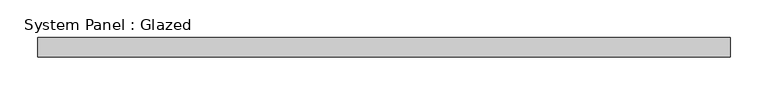
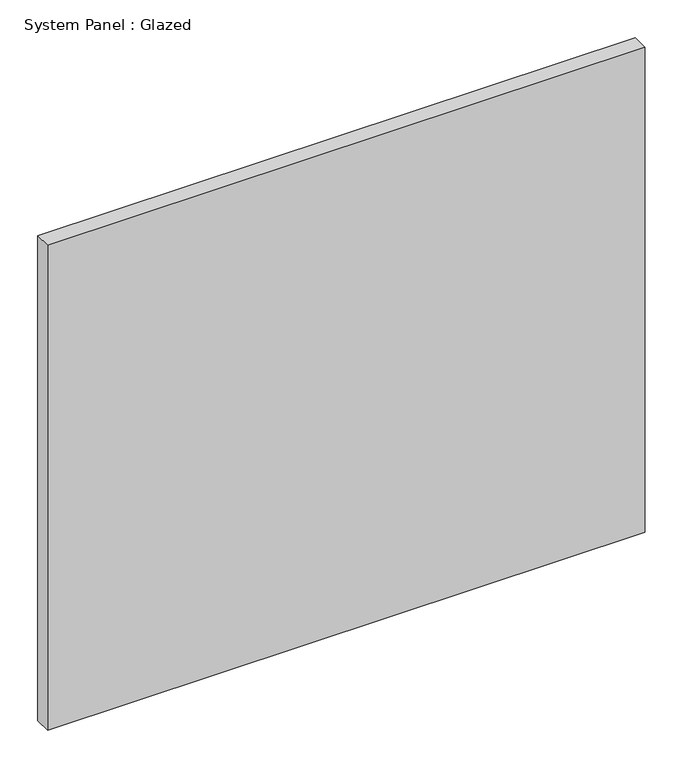
"""IFC4 building model written with IfcOpenShell, lengths in millimetres: plate geometry, System Panel : Glazed."""

from ifc_helpers import new_model, si_unit, origin, origin_with_axes, place, context, project, spatial, polyline, outline, extrude, source, transform, mapped, element, save


def system_panel_glazed_cb437d90(model_context):
    return source(origin(), model_context, "Body", "SweptSolid", [
        extrude(outline(polyline([(455.6125, 0.0), (-455.6125, 0.0), (-455.6125, 25.4), (455.6125, 25.4), (455.6125, 0.0)])), origin_with_axes(), (0.0, 0.0, 1.0), 781.0499999),
    ])


if __name__ == "__main__":
    model = new_model("IFC4")
    model_context = context("Model", 3, world=origin())
    ifc_project = project(units=[si_unit("LENGTHUNIT", "METRE", prefix="MILLI")], contexts=[model_context])
    site = spatial("IfcSite", under=ifc_project)
    building = spatial("IfcBuilding", under=site)
    placement = place(None, origin())
    system_panel_glazed_shape = system_panel_glazed_cb437d90(model_context)
    element("IfcPlate", 1, ObjectType="System Panel : Glazed", at=placement, inside=building, context=model_context, shape_type="MappedRepresentation", body=[
        mapped(system_panel_glazed_shape, transform((0.0, 0.0, 0.0), x_axis=(1.0, 0.0, 0.0), y_axis=(0.0, 1.0, 0.0), z_axis=(0.0, 0.0, 1.0))),
    ])
    save(model, "model.ifc")
